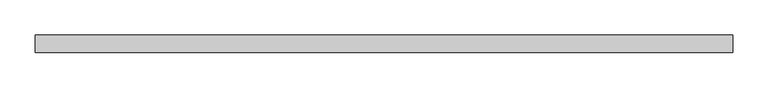
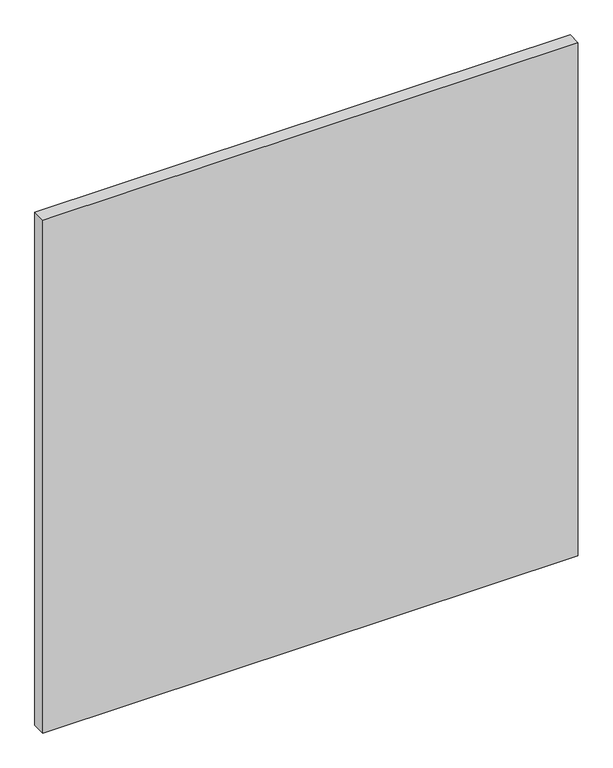
"""IFC4 building model written with IfcOpenShell, lengths in millimetres: plate geometry."""

from ifc_helpers import new_model, si_unit, origin, origin_with_axes, place, context, project, spatial, polyline, outline, extrude, source, transform, mapped, element, save


def plate_d3890abf(model_context):
    return source(origin(), model_context, "Body", "SweptSolid", [
        extrude(outline(polyline([(493.8867244, 24.5), (-493.8867244, 24.5), (-493.8867244, 49.5), (493.8867244, 49.5), (493.8867244, 24.5)])), origin_with_axes(), (0.0, 0.0, 1.0), 1000.0),
    ])


if __name__ == "__main__":
    model = new_model("IFC4")
    model_context = context("Model", 3, world=origin())
    ifc_project = project(units=[si_unit("LENGTHUNIT", "METRE", prefix="MILLI")], contexts=[model_context])
    site = spatial("IfcSite", under=ifc_project)
    building = spatial("IfcBuilding", under=site)
    placement = place(None, origin())
    plate_shape = plate_d3890abf(model_context)
    element("IfcPlate", 1, at=placement, inside=building, context=model_context, shape_type="MappedRepresentation", body=[
        mapped(plate_shape, transform((0.0, 0.0, 0.0), x_axis=(1.0, 0.0, 0.0), y_axis=(0.0, 1.0, 0.0), z_axis=(0.0, 0.0, 1.0))),
    ])
    save(model, "model.ifc")
